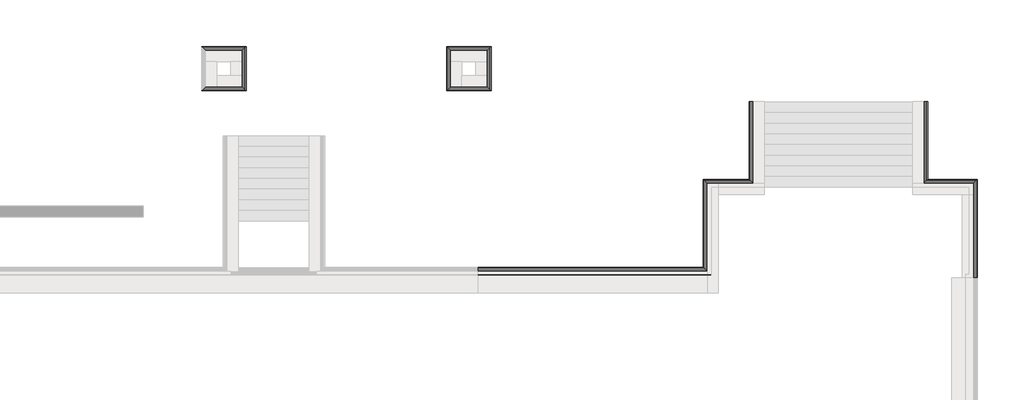
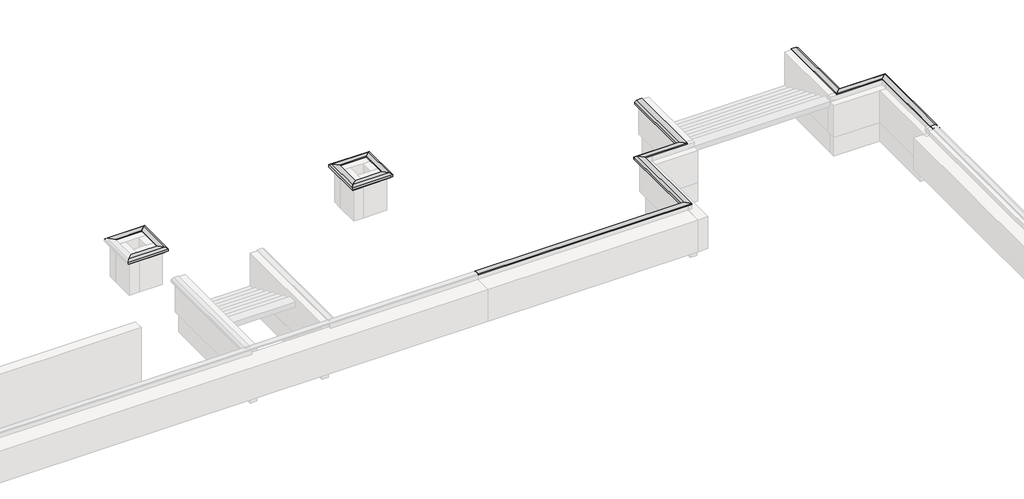
# One storey, part 10 of 10: 14 proxies.
"""IFC4 building model written with IfcOpenShell, lengths in millimetres."""

from ifc_helpers import new_model, si_unit, frame, origin, place, context, project, spatial, polyline, circle_curve, ellipse_curve, element, save
from ifc_brep_helpers import plane_surface, revolved_surface, advanced_brep

model = new_model("IFC4")

# Units and contexts
model_context = context("Model", 3, world=origin())
ifc_project = project(units=[si_unit("LENGTHUNIT", "METRE", prefix="MILLI")], contexts=[model_context])

# Site, building, storey
site = spatial("IfcSite", under=ifc_project)
building = spatial("IfcBuilding", under=site)
storey = spatial("IfcBuildingStorey", under=building, Elevation=-1200.0)

# Proxies
placement = place(None, origin())
element("IfcBuildingElementProxy", 1, Name="Wall Sweeps", at=placement, inside=storey, context=model_context, shape_type="AdvancedBrep", body=[
    advanced_brep(
    [(35865.0112841, 993.1079487, -15.0), (35865.0112841, 993.1079487, -85.0), (35865.0112841, 928.1079487, -150.0), (35865.0112841, 878.1079487, -150.0), (35865.0112841, 878.1079487, 0.0), (35865.0112841, 828.1079487, 0.0), (35865.0112841, 793.1079487, 0.0), (35865.0112841, 778.1079487, 0.0), (35865.0112841, 778.1079487, 30.51349), (35865.0112841, 828.1079487, 30.51349), (35865.0112841, 928.1079487, 30.51349), (42207.0213854, 993.1079487, -85.0), (42207.0213854, 993.1079487, -15.0), (42272.0213854, 928.1079487, 30.51349), (42372.0213854, 828.1079487, 30.51349), (42422.0213854, 778.1079487, 30.51349), (42422.0213854, 778.1079487, 0.0), (42407.0213854, 793.1079487, 0.0), (42372.0213854, 828.1079487, 0.0), (42322.0213854, 878.1079487, 0.0), (42322.0213854, 878.1079487, -150.0), (42272.0213854, 928.1079487, -150.0)],
    [
        (0, 1),
        (1, 2, circle_curve(frame((35865.0112841, 993.1079487, -150.0), z_axis=(1.0, 0.0, 0.0), x_axis=(0.0, 1.0, 0.0)), 65.0)),
        (2, 3),
        (3, 4),
        (4, 5),
        (5, 6),
        (6, 7),
        (7, 8),
        (8, 9),
        (9, 10),
        (10, 0),
        (11, 12),
        (12, 13),
        (13, 14),
        (14, 15),
        (15, 16),
        (16, 17),
        (17, 18),
        (18, 19),
        (19, 20),
        (20, 21),
        (21, 11, ellipse_curve(frame((42207.0213854, 993.1079487, -150.0), z_axis=(-0.7071067811865454, -0.7071067811865498, 0.0), x_axis=(0.7071067811865496, -0.7071067811865454, 0.0)), 91.9238816, 65.0)),
        (0, 12),
        (11, 1),
        (21, 2),
        (20, 3),
        (19, 4),
        (16, 7),
        (15, 8),
        (13, 10),
    ],
    [
        plane_surface(frame((35865.0112841, 1182.9079487, 0.0), z_axis=(-1.0, 0.0, 0.0), x_axis=(0.0, 0.0, 1.0))),
        plane_surface(frame((42322.0213854, 878.1079487, -304.8), z_axis=(0.7071067811865454, 0.7071067811865498, 0.0), x_axis=(-0.7071067811865498, 0.7071067811865454, 0.0))),
        plane_surface(frame((35865.0112841, 993.1079487, -15.0), z_axis=(0.0, 1.0, 0.0), x_axis=(1.0, 0.0, 0.0))),
        revolved_surface(polyline([(42272.02138543235, 1058.1079487, -150.0), (35865.0112841, 1058.1079487, -150.0)]), (35865.0112841, 993.1079487, -150.0), (1.0, 0.0, 0.0)),
        plane_surface(frame((35865.0112841, 928.1079487, -150.0), z_axis=(0.0, 0.0, -1.0), x_axis=(1.0, 0.0, 0.0))),
        plane_surface(frame((35865.0112841, 878.1079487, -150.0), z_axis=(0.0, -1.0, 0.0), x_axis=(1.0, 0.0, 0.0))),
        plane_surface(frame((35865.0112841, 878.1079487, 0.0), z_axis=(0.0, 0.0, -1.0), x_axis=(1.0, 0.0, 0.0))),
        plane_surface(frame((35865.0112841, 778.1079487, 0.0), z_axis=(0.0, -1.0, 0.0), x_axis=(1.0, 0.0, 0.0))),
        plane_surface(frame((35865.0112841, 778.1079487, 30.51349), z_axis=(0.0, 0.0, 1.0), x_axis=(1.0, 0.0, 0.0))),
        plane_surface(frame((35865.0112841, 928.1079487, 30.51349), z_axis=(0.0, 0.5735764363510482, 0.8191520442889904), x_axis=(1.0, 0.0, 0.0))),
    ],
    [
        (0, [[1, 2, 3, 4, 5, 6, 7, 8, 9, 10, 11]]),
        (1, [[12, 13, 14, 15, 16, 17, 18, 19, 20, 21, 22]]),
        (2, [[-1, 23, -12, 24]]),
        (3, [[-2, -24, -22, 25]]),
        (4, [[-3, -25, -21, 26]]),
        (5, [[-4, -26, -20, 27]]),
        (6, [[-27, -19, -18, -17, 28, -7, -6, -5]]),
        (7, [[-8, -28, -16, 29]]),
        (8, [[-10, -9, -29, -15, -14, 30]]),
        (9, [[-11, -30, -13, -23]]),
    ],
),
])
element("IfcBuildingElementProxy", 2, Name="Wall Sweeps", at=placement, inside=storey, context=model_context, shape_type="AdvancedBrep", body=[
    advanced_brep(
    [(48531.0163347, 3473.1270954, -15.0), (48531.0163347, 3473.1270954, -85.0), (48466.0163347, 3408.1270954, -150.0), (48416.0163347, 3358.1270954, -150.0), (48416.0163347, 3358.1270954, 0.0), (48316.0163347, 3258.1270954, 0.0), (48316.0163347, 3258.1270954, 30.51349), (48466.0163347, 3408.1270954, 30.51349), (49935.0112841, 3473.1270954, -15.0), (49870.0112841, 3408.1270954, 30.51349), (49720.0112841, 3258.1270954, 30.51349), (49720.0112841, 3258.1270954, 0.0), (49820.0112841, 3358.1270954, 0.0), (49820.0112841, 3358.1270954, -150.0), (49870.0112841, 3408.1270954, -150.0), (49935.0112841, 3473.1270954, -85.0)],
    [
        (0, 1),
        (1, 2, ellipse_curve(frame((48531.0163347, 3473.1270954, -150.0), z_axis=(0.707106781186544, -0.7071067811865511, 0.0), x_axis=(0.707106781186551, 0.7071067811865441, 0.0)), 91.9238816, 65.0)),
        (2, 3),
        (3, 4),
        (4, 5),
        (5, 6),
        (6, 7),
        (7, 0),
        (8, 9),
        (9, 10),
        (10, 11),
        (11, 12),
        (12, 13),
        (13, 14),
        (14, 15, ellipse_curve(frame((49935.0112841, 3473.1270954, -150.0), z_axis=(-0.7071067811865449, 0.7071067811865502, 0.0), x_axis=(0.70710678118655, 0.707106781186545, 0.0)), 91.9238816, 65.0)),
        (15, 8),
        (0, 8),
        (15, 1),
        (14, 2),
        (13, 3),
        (12, 4),
        (11, 5),
        (10, 6),
        (9, 7),
    ],
    [
        plane_surface(frame((48416.0163347, 3358.1270954, -304.8), z_axis=(-0.707106781186544, 0.7071067811865511, 0.0), x_axis=(0.7071067811865511, 0.707106781186544, 0.0))),
        plane_surface(frame((49820.0112841, 3358.1270954, 304.8), z_axis=(0.7071067811865449, -0.7071067811865502, 0.0), x_axis=(-0.7071067811865502, -0.7071067811865449, 0.0))),
        plane_surface(frame((48531.0163347, 3473.1270954, -15.0), z_axis=(0.0, 1.0, 0.0), x_axis=(1.0, 0.0, 0.0))),
        revolved_surface(polyline([(50000.01128413235, 3538.1270954, -150.0), (48466.01633466765, 3538.1270954, -150.0)]), (48416.0163347, 3473.1270954, -150.0), (1.0, 0.0, 0.0)),
        plane_surface(frame((48466.0163347, 3408.1270954, -150.0), z_axis=(0.0, 0.0, -1.0), x_axis=(1.0, 0.0, 0.0))),
        plane_surface(frame((48416.0163347, 3358.1270954, -150.0), z_axis=(0.0, -1.0, 0.0), x_axis=(1.0, 0.0, 0.0))),
        plane_surface(frame((48416.0163347, 3358.1270954, 0.0), z_axis=(0.0, 0.0, -1.0), x_axis=(1.0, 0.0, 0.0))),
        plane_surface(frame((48316.0163347, 3258.1270954, 0.0), z_axis=(0.0, -1.0, 0.0), x_axis=(1.0, 0.0, 0.0))),
        plane_surface(frame((48316.0163347, 3258.1270954, 30.51349), z_axis=(0.0, 0.0, 1.0), x_axis=(1.0, 0.0, 0.0))),
        plane_surface(frame((48466.0163347, 3408.1270954, 30.51349), z_axis=(0.0, 0.5735764363510482, 0.8191520442889904), x_axis=(1.0, 0.0, 0.0))),
    ],
    [
        (0, [[1, 2, 3, 4, 5, 6, 7, 8]]),
        (1, [[9, 10, 11, 12, 13, 14, 15, 16]]),
        (2, [[-1, 17, -16, 18]]),
        (3, [[-2, -18, -15, 19]]),
        (4, [[-3, -19, -14, 20]]),
        (5, [[-4, -20, -13, 21]]),
        (6, [[-5, -21, -12, 22]]),
        (7, [[-6, -22, -11, 23]]),
        (8, [[-7, -23, -10, 24]]),
        (9, [[-8, -24, -9, -17]]),
    ],
),
])
element("IfcBuildingElementProxy", 3, Name="Wall Sweeps", at=placement, inside=storey, context=model_context, shape_type="AdvancedBrep", body=[
    advanced_brep(
    [(42207.0213854, 993.1079487, -15.0), (42207.0213854, 993.1079487, -85.0), (42272.0213854, 928.1079487, -150.0), (42322.0213854, 878.1079487, -150.0), (42322.0213854, 878.1079487, 0.0), (42407.0213854, 793.1079487, 0.0), (42422.0213854, 778.1079487, 0.0), (42422.0213854, 778.1079487, 30.51349), (42272.0213854, 928.1079487, 30.51349), (42207.0213854, 3473.1270954, -85.0), (42207.0213854, 3473.1270954, -15.0), (42272.0213854, 3408.1270954, 30.51349), (42422.0213854, 3258.1270954, 30.51349), (42422.0213854, 3258.1270954, 0.0), (42322.0213854, 3358.1270954, 0.0), (42322.0213854, 3358.1270954, -150.0), (42272.0213854, 3408.1270954, -150.0), (42422.0213854, 793.1079487, 0.0)],
    [
        (0, 1),
        (1, 2, ellipse_curve(frame((42207.0213854, 993.1079487, -150.0), z_axis=(0.7071067811865454, 0.7071067811865498, 0.0), x_axis=(-0.7071067811865498, 0.7071067811865451, 0.0)), 91.9238816, 65.0)),
        (2, 3),
        (3, 4),
        (4, 5),
        (5, 6),
        (6, 7),
        (7, 8),
        (8, 0),
        (9, 10),
        (10, 11),
        (11, 12),
        (12, 13),
        (13, 14),
        (14, 15),
        (15, 16),
        (16, 9, ellipse_curve(frame((42207.0213854, 3473.1270954, -150.0), z_axis=(-0.7071067811865449, -0.7071067811865502, 0.0), x_axis=(-0.7071067811865502, 0.7071067811865447, 0.0)), 91.9238816, 65.0)),
        (0, 10),
        (9, 1),
        (16, 2),
        (15, 3),
        (14, 4),
        (13, 17),
        (17, 6),
        (12, 7),
        (11, 8),
    ],
    [
        plane_surface(frame((42322.0213854, 878.1079487, -304.8), z_axis=(-0.7071067811865454, -0.7071067811865498, 0.0), x_axis=(-0.7071067811865498, 0.7071067811865454, 0.0))),
        plane_surface(frame((42322.0213854, 3358.1270954, 304.8), z_axis=(0.7071067811865449, 0.7071067811865502, 0.0), x_axis=(0.7071067811865502, -0.7071067811865449, 0.0))),
        plane_surface(frame((42207.0213854, 993.1079487, -15.0), z_axis=(-1.0, 0.0, 0.0), x_axis=(0.0, 1.0, 0.0))),
        revolved_surface(polyline([(42142.0213854, 3538.127095432349, -150.0), (42142.0213854, 928.1079486676508, -150.0)]), (42207.0213854, 878.1079487, -150.0), (0.0, 1.0, 0.0)),
        plane_surface(frame((42272.0213854, 928.1079487, -150.0), z_axis=(0.0, 0.0, -1.0), x_axis=(0.0, 1.0, 0.0))),
        plane_surface(frame((42322.0213854, 878.1079487, -150.0), z_axis=(1.0, 0.0, 0.0), x_axis=(0.0, 1.0, 0.0))),
        plane_surface(frame((42322.0213854, 878.1079487, 0.0), z_axis=(0.0, 0.0, -1.0), x_axis=(0.0, 1.0, 0.0))),
        plane_surface(frame((42422.0213854, 778.1079487, 0.0), z_axis=(1.0, 0.0, 0.0), x_axis=(0.0, 1.0, 0.0))),
        plane_surface(frame((42422.0213854, 778.1079487, 30.51349), z_axis=(0.0, 0.0, 1.0), x_axis=(0.0, 1.0, 0.0))),
        plane_surface(frame((42272.0213854, 928.1079487, 30.51349), z_axis=(-0.5735764363510482, 0.0, 0.8191520442889904), x_axis=(0.0, 1.0, 0.0))),
    ],
    [
        (0, [[1, 2, 3, 4, 5, 6, 7, 8, 9]]),
        (1, [[10, 11, 12, 13, 14, 15, 16, 17]]),
        (2, [[-1, 18, -10, 19]]),
        (3, [[-2, -19, -17, 20]]),
        (4, [[-3, -20, -16, 21]]),
        (5, [[-4, -21, -15, 22]]),
        (6, [[-14, 23, 24, -6, -5, -22]]),
        (7, [[-7, -24, -23, -13, 25]]),
        (8, [[-8, -25, -12, 26]]),
        (9, [[-9, -26, -11, -18]]),
    ],
),
])
element("IfcBuildingElementProxy", 4, Name="Wall Sweeps", at=placement, inside=storey, context=model_context, shape_type="AdvancedBrep", body=[
    advanced_brep(
    [(43501.0163347, 3473.1270954, -15.0), (43566.0163347, 3408.1270954, 30.51349), (43716.0163347, 3258.1270954, 30.51349), (43716.0163347, 3258.1270954, 0.0), (43616.0163347, 3358.1270954, 0.0), (43616.0163347, 3358.1270954, -150.0), (43566.0163347, 3408.1270954, -150.0), (43501.0163347, 3473.1270954, -85.0), (42207.0213854, 3473.1270954, -15.0), (42207.0213854, 3473.1270954, -85.0), (42272.0213854, 3408.1270954, -150.0), (42322.0213854, 3358.1270954, -150.0), (42322.0213854, 3358.1270954, 0.0), (42422.0213854, 3258.1270954, 0.0), (42422.0213854, 3258.1270954, 30.51349), (42272.0213854, 3408.1270954, 30.51349), (42632.0213854, 3358.1270954, 0.0)],
    [
        (0, 1),
        (1, 2),
        (2, 3),
        (3, 4),
        (4, 5),
        (5, 6),
        (6, 7, ellipse_curve(frame((43501.0163347, 3473.1270954, -150.0), z_axis=(-0.707106781186544, -0.7071067811865511, 0.0), x_axis=(-0.707106781186551, 0.7071067811865441, 0.0)), 91.9238816, 65.0)),
        (7, 0),
        (8, 9),
        (9, 10, ellipse_curve(frame((42207.0213854, 3473.1270954, -150.0), z_axis=(0.7071067811865449, 0.7071067811865502, 0.0), x_axis=(-0.70710678118655, 0.707106781186545, 0.0)), 91.9238816, 65.0)),
        (10, 11),
        (11, 12),
        (12, 13),
        (13, 14),
        (14, 15),
        (15, 8),
        (7, 9),
        (8, 0),
        (6, 10),
        (5, 11),
        (4, 16),
        (16, 12),
        (3, 13),
        (2, 14),
        (1, 15),
    ],
    [
        plane_surface(frame((43616.0163347, 3358.1270954, 304.8), z_axis=(0.707106781186544, 0.7071067811865511, 0.0), x_axis=(-0.7071067811865511, 0.707106781186544, 0.0))),
        plane_surface(frame((42322.0213854, 3358.1270954, -304.8), z_axis=(-0.7071067811865449, -0.7071067811865502, 0.0), x_axis=(0.7071067811865502, -0.7071067811865449, 0.0))),
        plane_surface(frame((43501.0163347, 3473.1270954, -85.0), z_axis=(0.0, 1.0, 0.0), x_axis=(-1.0, 0.0, 0.0))),
        revolved_surface(polyline([(42142.021385367654, 3538.1270954, -150.0), (43566.01633473235, 3538.1270954, -150.0)]), (43616.0163347, 3473.1270954, -150.0), (-1.0, 0.0, 0.0)),
        plane_surface(frame((43616.0163347, 3358.1270954, -150.0), z_axis=(0.0, 0.0, -1.0), x_axis=(-1.0, 0.0, 0.0))),
        plane_surface(frame((43616.0163347, 3358.1270954, 0.0), z_axis=(0.0, -1.0, 0.0), x_axis=(-1.0, 0.0, 0.0))),
        plane_surface(frame((43716.0163347, 3258.1270954, 0.0), z_axis=(0.0, 0.0, -1.0), x_axis=(-1.0, 0.0, 0.0))),
        plane_surface(frame((43716.0163347, 3258.1270954, 30.51349), z_axis=(0.0, -1.0, 0.0), x_axis=(-1.0, 0.0, 0.0))),
        plane_surface(frame((43566.0163347, 3408.1270954, 30.51349), z_axis=(0.0, 0.0, 1.0), x_axis=(-1.0, 0.0, 0.0))),
        plane_surface(frame((43501.0163347, 3473.1270954, -15.0), z_axis=(0.0, 0.5735764363510482, 0.8191520442889904), x_axis=(-1.0, 0.0, 0.0))),
    ],
    [
        (0, [[1, 2, 3, 4, 5, 6, 7, 8]]),
        (1, [[9, 10, 11, 12, 13, 14, 15, 16]]),
        (2, [[-8, 17, -9, 18]]),
        (3, [[-7, 19, -10, -17]]),
        (4, [[-6, 20, -11, -19]]),
        (5, [[-5, 21, 22, -12, -20]]),
        (6, [[-4, 23, -13, -22, -21]]),
        (7, [[-3, 24, -14, -23]]),
        (8, [[-2, 25, -15, -24]]),
        (9, [[-1, -18, -16, -25]]),
    ],
),
])
element("IfcBuildingElementProxy", 5, Name="Wall Sweeps", at=placement, inside=storey, context=model_context, shape_type="AdvancedBrep", body=[
    advanced_brep(
    [(43501.0163347, 3473.1270954, -15.0), (43501.0163347, 3473.1270954, -85.0), (43566.0163347, 3408.1270954, -150.0), (43616.0163347, 3358.1270954, -150.0), (43616.0163347, 3358.1270954, 0.0), (43716.0163347, 3258.1270954, 0.0), (43716.0163347, 3258.1270954, 30.51349), (43566.0163347, 3408.1270954, 30.51349), (43501.0163347, 5668.1079487, -15.0), (43566.0163347, 5668.1079487, 30.51349), (43716.0163347, 5668.1079487, 30.51349), (43716.0163347, 5668.1079487, 0.0), (43616.0163347, 5668.1079487, 0.0), (43616.0163347, 5668.1079487, -150.0), (43566.0163347, 5668.1079487, -150.0), (43501.0163347, 5668.1079487, -85.0)],
    [
        (0, 1),
        (1, 2, ellipse_curve(frame((43501.0163347, 3473.1270954, -150.0), z_axis=(0.707106781186544, 0.7071067811865511, 0.0), x_axis=(-0.7071067811865512, 0.7071067811865438, 0.0)), 91.9238816, 65.0)),
        (2, 3),
        (3, 4),
        (4, 5),
        (5, 6),
        (6, 7),
        (7, 0),
        (8, 9),
        (9, 10),
        (10, 11),
        (11, 12),
        (12, 13),
        (13, 14),
        (14, 15, circle_curve(frame((43501.0163347, 5668.1079487, -150.0), z_axis=(0.0, -1.0, 0.0), x_axis=(-1.0, 0.0, 0.0)), 65.0)),
        (15, 8),
        (0, 8),
        (15, 1),
        (14, 2),
        (13, 3),
        (12, 4),
        (11, 5),
        (10, 6),
        (9, 7),
    ],
    [
        plane_surface(frame((43616.0163347, 3358.1270954, -304.8), z_axis=(-0.707106781186544, -0.7071067811865511, 0.0), x_axis=(-0.7071067811865511, 0.707106781186544, 0.0))),
        plane_surface(frame((43457.9024517, 5668.1079487, 0.0), z_axis=(0.0, 1.0, 0.0), x_axis=(0.0, 0.0, 1.0))),
        plane_surface(frame((43501.0163347, 3473.1270954, -15.0), z_axis=(-1.0, 0.0, 0.0), x_axis=(0.0, 1.0, 0.0))),
        revolved_surface(polyline([(43436.0163347, 5668.1079487, -150.0), (43436.0163347, 3408.1270953676512, -150.0)]), (43501.0163347, 3358.1270954, -150.0), (0.0, 1.0, 0.0)),
        plane_surface(frame((43566.0163347, 3408.1270954, -150.0), z_axis=(0.0, 0.0, -1.0), x_axis=(0.0, 1.0, 0.0))),
        plane_surface(frame((43616.0163347, 3358.1270954, -150.0), z_axis=(1.0, 0.0, 0.0), x_axis=(0.0, 1.0, 0.0))),
        plane_surface(frame((43616.0163347, 3358.1270954, 0.0), z_axis=(0.0, 0.0, -1.0), x_axis=(0.0, 1.0, 0.0))),
        plane_surface(frame((43716.0163347, 3258.1270954, 0.0), z_axis=(1.0, 0.0, 0.0), x_axis=(0.0, 1.0, 0.0))),
        plane_surface(frame((43716.0163347, 3258.1270954, 30.51349), z_axis=(0.0, 0.0, 1.0), x_axis=(0.0, 1.0, 0.0))),
        plane_surface(frame((43566.0163347, 3408.1270954, 30.51349), z_axis=(-0.5735764363510482, 0.0, 0.8191520442889904), x_axis=(0.0, 1.0, 0.0))),
    ],
    [
        (0, [[1, 2, 3, 4, 5, 6, 7, 8]]),
        (1, [[9, 10, 11, 12, 13, 14, 15, 16]]),
        (2, [[-1, 17, -16, 18]]),
        (3, [[-2, -18, -15, 19]]),
        (4, [[-3, -19, -14, 20]]),
        (5, [[-4, -20, -13, 21]]),
        (6, [[-5, -21, -12, 22]]),
        (7, [[-6, -22, -11, 23]]),
        (8, [[-7, -23, -10, 24]]),
        (9, [[-8, -24, -9, -17]]),
    ],
),
])
element("IfcBuildingElementProxy", 6, Name="Wall Sweeps", at=placement, inside=storey, context=model_context, shape_type="AdvancedBrep", body=[
    advanced_brep(
    [(49935.0112841, 573.1079487, -15.0), (49870.0112841, 573.1079487, 30.51349), (49720.0112841, 573.1079487, 30.51349), (49720.0112841, 573.1079487, 0.0), (49820.0112841, 573.1079487, 0.0), (49820.0112841, 573.1079487, -150.0), (49870.0112841, 573.1079487, -150.0), (49935.0112841, 573.1079487, -85.0), (49935.0112841, 3473.1270954, -15.0), (49935.0112841, 3473.1270954, -85.0), (49870.0112841, 3408.1270954, -150.0), (49820.0112841, 3358.1270954, -150.0), (49820.0112841, 3358.1270954, 0.0), (49720.0112841, 3258.1270954, 0.0), (49720.0112841, 3258.1270954, 30.51349), (49870.0112841, 3408.1270954, 30.51349), (49820.0112841, 3048.1270954, 0.0)],
    [
        (0, 1),
        (1, 2),
        (2, 3),
        (3, 4),
        (4, 5),
        (5, 6),
        (6, 7, circle_curve(frame((49935.0112841, 573.1079487, -150.0), z_axis=(0.0, 1.0, 0.0), x_axis=(1.0, 0.0, 0.0)), 65.0)),
        (7, 0),
        (8, 9),
        (9, 10, ellipse_curve(frame((49935.0112841, 3473.1270954, -150.0), z_axis=(0.7071067811865449, -0.7071067811865502, 0.0), x_axis=(0.7071067811865502, 0.7071067811865447, 0.0)), 91.9238816, 65.0)),
        (10, 11),
        (11, 12),
        (12, 13),
        (13, 14),
        (14, 15),
        (15, 8),
        (0, 8),
        (15, 1),
        (14, 2),
        (13, 3),
        (12, 16),
        (16, 4),
        (11, 5),
        (10, 6),
        (9, 7),
    ],
    [
        plane_surface(frame((49661.8974011, 573.1079487, 0.0), z_axis=(0.0, -1.0, 0.0), x_axis=(0.0, 0.0, 1.0))),
        plane_surface(frame((49820.0112841, 3358.1270954, -304.8), z_axis=(-0.7071067811865449, 0.7071067811865502, 0.0), x_axis=(-0.7071067811865502, -0.7071067811865449, 0.0))),
        plane_surface(frame((49935.0112841, 573.1079487, -15.0), z_axis=(0.5735764363510482, 0.0, 0.8191520442889904), x_axis=(0.0, 1.0, 0.0))),
        plane_surface(frame((49870.0112841, 573.1079487, 30.51349), z_axis=(0.0, 0.0, 1.0), x_axis=(0.0, 1.0, 0.0))),
        plane_surface(frame((49720.0112841, 573.1079487, 30.51349), z_axis=(-1.0, 0.0, 0.0), x_axis=(0.0, 1.0, 0.0))),
        plane_surface(frame((49720.0112841, 573.1079487, 0.0), z_axis=(0.0, 0.0, -1.0), x_axis=(0.0, 1.0, 0.0))),
        plane_surface(frame((49820.0112841, 573.1079487, 0.0), z_axis=(-1.0, 0.0, 0.0), x_axis=(0.0, 1.0, 0.0))),
        plane_surface(frame((49820.0112841, 573.1079487, -150.0), z_axis=(0.0, 0.0, -1.0), x_axis=(0.0, 1.0, 0.0))),
        revolved_surface(polyline([(50000.0112841, 3538.127095432349, -150.0), (50000.0112841, 573.1079487, -150.0)]), (49935.0112841, 573.1079487, -150.0), (0.0, 1.0, 0.0)),
        plane_surface(frame((49935.0112841, 573.1079487, -85.0), z_axis=(1.0, 0.0, 0.0), x_axis=(0.0, 1.0, 0.0))),
    ],
    [
        (0, [[1, 2, 3, 4, 5, 6, 7, 8]]),
        (1, [[9, 10, 11, 12, 13, 14, 15, 16]]),
        (2, [[-1, 17, -16, 18]]),
        (3, [[-2, -18, -15, 19]]),
        (4, [[-3, -19, -14, 20]]),
        (5, [[-4, -20, -13, 21, 22]]),
        (6, [[-5, -22, -21, -12, 23]]),
        (7, [[-6, -23, -11, 24]]),
        (8, [[-7, -24, -10, 25]]),
        (9, [[-8, -25, -9, -17]]),
    ],
),
])
element("IfcBuildingElementProxy", 7, Name="Wall Sweeps", at=placement, inside=storey, context=model_context, shape_type="AdvancedBrep", body=[
    advanced_brep(
    [(28085.0112841, 7218.1079487, -15.0), (28085.0112841, 7218.1079487, -85.0), (28150.0112841, 7153.1079487, -150.0), (28200.0112841, 7103.1079487, -150.0), (28200.0112841, 7103.1079487, 0.0), (28300.0112841, 7003.1079487, 0.0), (28300.0112841, 7003.1079487, 30.51349), (28150.0112841, 7153.1079487, 30.51349), (29335.0112841, 7218.1079487, -15.0), (29270.0112841, 7153.1079487, 30.51349), (29120.0112841, 7003.1079487, 30.51349), (29120.0112841, 7003.1079487, 0.0), (29220.0112841, 7103.1079487, 0.0), (29220.0112841, 7103.1079487, -150.0), (29270.0112841, 7153.1079487, -150.0), (29335.0112841, 7218.1079487, -85.0)],
    [
        (0, 1),
        (1, 2, ellipse_curve(frame((28085.0112841, 7218.1079487, -150.0), z_axis=(0.7071067811865458, 0.7071067811865493, 0.0), x_axis=(0.7071067811865492, -0.7071067811865458, 0.0)), 91.9238816, 65.0)),
        (2, 3),
        (3, 4),
        (4, 5),
        (5, 6),
        (6, 7),
        (7, 0),
        (8, 9),
        (9, 10),
        (10, 11),
        (11, 12),
        (12, 13),
        (13, 14),
        (14, 15, ellipse_curve(frame((29335.0112841, 7218.1079487, -150.0), z_axis=(-0.707106781186544, 0.7071067811865511, 0.0), x_axis=(0.7071067811865509, 0.707106781186544, 0.0)), 91.9238816, 65.0)),
        (15, 8),
        (0, 8),
        (15, 1),
        (14, 2),
        (13, 3),
        (12, 4),
        (11, 5),
        (10, 6),
        (9, 7),
    ],
    [
        plane_surface(frame((28200.0112841, 7103.1079487, 304.8), z_axis=(-0.7071067811865458, -0.7071067811865493, 0.0), x_axis=(0.7071067811865493, -0.7071067811865458, 0.0))),
        plane_surface(frame((29220.0112841, 7103.1079487, 304.8), z_axis=(0.707106781186544, -0.7071067811865511, 0.0), x_axis=(-0.7071067811865511, -0.707106781186544, 0.0))),
        plane_surface(frame((28085.0112841, 7218.1079487, -15.0), z_axis=(0.0, 1.0, 0.0), x_axis=(1.0, 0.0, 0.0))),
        revolved_surface(polyline([(29400.01128413235, 7283.1079487, -150.0), (28020.011284067652, 7283.1079487, -150.0)]), (28200.0112841, 7218.1079487, -150.0), (1.0, 0.0, 0.0)),
        plane_surface(frame((28150.0112841, 7153.1079487, -150.0), z_axis=(0.0, 0.0, -1.0), x_axis=(1.0, 0.0, 0.0))),
        plane_surface(frame((28200.0112841, 7103.1079487, -150.0), z_axis=(0.0, -1.0, 0.0), x_axis=(1.0, 0.0, 0.0))),
        plane_surface(frame((28200.0112841, 7103.1079487, 0.0), z_axis=(0.0, 0.0, -1.0), x_axis=(1.0, 0.0, 0.0))),
        plane_surface(frame((28300.0112841, 7003.1079487, 0.0), z_axis=(0.0, -1.0, 0.0), x_axis=(1.0, 0.0, 0.0))),
        plane_surface(frame((28300.0112841, 7003.1079487, 30.51349), z_axis=(0.0, 0.0, 1.0), x_axis=(1.0, 0.0, 0.0))),
        plane_surface(frame((28150.0112841, 7153.1079487, 30.51349), z_axis=(0.0, 0.5735764363510482, 0.8191520442889904), x_axis=(1.0, 0.0, 0.0))),
    ],
    [
        (0, [[1, 2, 3, 4, 5, 6, 7, 8]]),
        (1, [[9, 10, 11, 12, 13, 14, 15, 16]]),
        (2, [[-1, 17, -16, 18]]),
        (3, [[-2, -18, -15, 19]]),
        (4, [[-3, -19, -14, 20]]),
        (5, [[-4, -20, -13, 21]]),
        (6, [[-5, -21, -12, 22]]),
        (7, [[-6, -22, -11, 23]]),
        (8, [[-7, -23, -10, 24]]),
        (9, [[-8, -24, -9, -17]]),
    ],
),
])
element("IfcBuildingElementProxy", 8, Name="Wall Sweeps", at=placement, inside=storey, context=model_context, shape_type="AdvancedBrep", body=[
    advanced_brep(
    [(29335.0112841, 5968.1079487, -15.0), (29335.0112841, 5968.1079487, -85.0), (29270.0112841, 6033.1079487, -150.0), (29220.0112841, 6083.1079487, -150.0), (29220.0112841, 6083.1079487, 0.0), (29120.0112841, 6183.1079487, 0.0), (29120.0112841, 6183.1079487, 30.51349), (29270.0112841, 6033.1079487, 30.51349), (28085.0112841, 5968.1079487, -15.0), (28150.0112841, 6033.1079487, 30.51349), (28300.0112841, 6183.1079487, 30.51349), (28300.0112841, 6183.1079487, 0.0), (28200.0112841, 6083.1079487, 0.0), (28200.0112841, 6083.1079487, -150.0), (28150.0112841, 6033.1079487, -150.0), (28085.0112841, 5968.1079487, -85.0), (28510.0112841, 6083.1079487, 0.0)],
    [
        (0, 1),
        (1, 2, ellipse_curve(frame((29335.0112841, 5968.1079487, -150.0), z_axis=(-0.7071067811865458, -0.7071067811865493, 0.0), x_axis=(-0.7071067811865491, 0.7071067811865458, 0.0)), 91.9238816, 65.0)),
        (2, 3),
        (3, 4),
        (4, 5),
        (5, 6),
        (6, 7),
        (7, 0),
        (8, 9),
        (9, 10),
        (10, 11),
        (11, 12),
        (12, 13),
        (13, 14),
        (14, 15, ellipse_curve(frame((28085.0112841, 5968.1079487, -150.0), z_axis=(0.707106781186544, -0.7071067811865511, 0.0), x_axis=(-0.7071067811865509, -0.707106781186544, 0.0)), 91.9238816, 65.0)),
        (15, 8),
        (0, 8),
        (15, 1),
        (14, 2),
        (13, 3),
        (12, 16),
        (16, 4),
        (11, 5),
        (10, 6),
        (9, 7),
    ],
    [
        plane_surface(frame((29220.0112841, 6083.1079487, 304.8), z_axis=(0.7071067811865458, 0.7071067811865493, 0.0), x_axis=(-0.7071067811865493, 0.7071067811865458, 0.0))),
        plane_surface(frame((28200.0112841, 6083.1079487, 304.8), z_axis=(-0.707106781186544, 0.7071067811865511, 0.0), x_axis=(0.7071067811865511, 0.707106781186544, 0.0))),
        plane_surface(frame((29335.0112841, 5968.1079487, -15.0), z_axis=(0.0, -1.0, 0.0), x_axis=(-1.0, 0.0, 0.0))),
        revolved_surface(polyline([(28020.011284067652, 5903.1079487, -150.0), (29400.01128413235, 5903.1079487, -150.0)]), (29220.0112841, 5968.1079487, -150.0), (-1.0, 0.0, 0.0)),
        plane_surface(frame((29270.0112841, 6033.1079487, -150.0), z_axis=(0.0, 0.0, -1.0), x_axis=(-1.0, 0.0, 0.0))),
        plane_surface(frame((29220.0112841, 6083.1079487, -150.0), z_axis=(0.0, 1.0, 0.0), x_axis=(-1.0, 0.0, 0.0))),
        plane_surface(frame((29220.0112841, 6083.1079487, 0.0), z_axis=(0.0, 0.0, -1.0), x_axis=(-1.0, 0.0, 0.0))),
        plane_surface(frame((29120.0112841, 6183.1079487, 0.0), z_axis=(0.0, 1.0, 0.0), x_axis=(-1.0, 0.0, 0.0))),
        plane_surface(frame((29120.0112841, 6183.1079487, 30.51349), z_axis=(0.0, 0.0, 1.0), x_axis=(-1.0, 0.0, 0.0))),
        plane_surface(frame((29270.0112841, 6033.1079487, 30.51349), z_axis=(0.0, -0.5735764363510482, 0.8191520442889904), x_axis=(-1.0, 0.0, 0.0))),
    ],
    [
        (0, [[1, 2, 3, 4, 5, 6, 7, 8]]),
        (1, [[9, 10, 11, 12, 13, 14, 15, 16]]),
        (2, [[-1, 17, -16, 18]]),
        (3, [[-2, -18, -15, 19]]),
        (4, [[-3, -19, -14, 20]]),
        (5, [[-4, -20, -13, 21, 22]]),
        (6, [[-5, -22, -21, -12, 23]]),
        (7, [[-6, -23, -11, 24]]),
        (8, [[-7, -24, -10, 25]]),
        (9, [[-8, -25, -9, -17]]),
    ],
),
])
element("IfcBuildingElementProxy", 9, Name="Wall Sweeps", at=placement, inside=storey, context=model_context, shape_type="AdvancedBrep", body=[
    advanced_brep(
    [(29335.0112841, 7218.1079487, -15.0), (29335.0112841, 7218.1079487, -85.0), (29270.0112841, 7153.1079487, -150.0), (29220.0112841, 7103.1079487, -150.0), (29220.0112841, 7103.1079487, 0.0), (29120.0112841, 7003.1079487, 0.0), (29120.0112841, 7003.1079487, 30.51349), (29270.0112841, 7153.1079487, 30.51349), (29335.0112841, 5968.1079487, -15.0), (29270.0112841, 6033.1079487, 30.51349), (29120.0112841, 6183.1079487, 30.51349), (29120.0112841, 6183.1079487, 0.0), (29220.0112841, 6083.1079487, 0.0), (29220.0112841, 6083.1079487, -150.0), (29270.0112841, 6033.1079487, -150.0), (29335.0112841, 5968.1079487, -85.0), (29220.0112841, 6393.1079487, 0.0), (29220.0112841, 6793.1079487, 0.0)],
    [
        (0, 1),
        (1, 2, ellipse_curve(frame((29335.0112841, 7218.1079487, -150.0), z_axis=(0.707106781186544, -0.7071067811865511, 0.0), x_axis=(-0.7071067811865511, -0.7071067811865439, 0.0)), 91.9238816, 65.0)),
        (2, 3),
        (3, 4),
        (4, 5),
        (5, 6),
        (6, 7),
        (7, 0),
        (8, 9),
        (9, 10),
        (10, 11),
        (11, 12),
        (12, 13),
        (13, 14),
        (14, 15, ellipse_curve(frame((29335.0112841, 5968.1079487, -150.0), z_axis=(0.7071067811865458, 0.7071067811865493, 0.0), x_axis=(0.7071067811865495, -0.7071067811865457, 0.0)), 91.9238816, 65.0)),
        (15, 8),
        (0, 8),
        (15, 1),
        (14, 2),
        (13, 3),
        (12, 16),
        (16, 17),
        (17, 4),
        (11, 5),
        (10, 6),
        (9, 7),
    ],
    [
        plane_surface(frame((29220.0112841, 7103.1079487, 304.8), z_axis=(-0.707106781186544, 0.7071067811865511, 0.0), x_axis=(-0.7071067811865511, -0.707106781186544, 0.0))),
        plane_surface(frame((29220.0112841, 6083.1079487, 304.8), z_axis=(-0.7071067811865458, -0.7071067811865493, 0.0), x_axis=(-0.7071067811865493, 0.7071067811865458, 0.0))),
        plane_surface(frame((29335.0112841, 7218.1079487, -15.0), z_axis=(1.0, 0.0, 0.0), x_axis=(0.0, -1.0, 0.0))),
        revolved_surface(polyline([(29400.0112841, 5903.107948667651, -150.0), (29400.0112841, 7283.107948732349, -150.0)]), (29335.0112841, 7103.1079487, -150.0), (0.0, -1.0, 0.0)),
        plane_surface(frame((29270.0112841, 7153.1079487, -150.0), z_axis=(0.0, 0.0, -1.0), x_axis=(0.0, -1.0, 0.0))),
        plane_surface(frame((29220.0112841, 7103.1079487, -150.0), z_axis=(-1.0, 0.0, 0.0), x_axis=(0.0, -1.0, 0.0))),
        plane_surface(frame((29220.0112841, 7103.1079487, 0.0), z_axis=(0.0, 0.0, -1.0), x_axis=(0.0, -1.0, 0.0))),
        plane_surface(frame((29120.0112841, 7003.1079487, 0.0), z_axis=(-1.0, 0.0, 0.0), x_axis=(0.0, -1.0, 0.0))),
        plane_surface(frame((29120.0112841, 7003.1079487, 30.51349), z_axis=(0.0, 0.0, 1.0), x_axis=(0.0, -1.0, 0.0))),
        plane_surface(frame((29270.0112841, 7153.1079487, 30.51349), z_axis=(0.5735764363510482, 0.0, 0.8191520442889904), x_axis=(0.0, -1.0, 0.0))),
    ],
    [
        (0, [[1, 2, 3, 4, 5, 6, 7, 8]]),
        (1, [[9, 10, 11, 12, 13, 14, 15, 16]]),
        (2, [[-1, 17, -16, 18]]),
        (3, [[-2, -18, -15, 19]]),
        (4, [[-3, -19, -14, 20]]),
        (5, [[-4, -20, -13, 21, 22, 23]]),
        (6, [[-5, -23, -22, -21, -12, 24]]),
        (7, [[-6, -24, -11, 25]]),
        (8, [[-7, -25, -10, 26]]),
        (9, [[-8, -26, -9, -17]]),
    ],
),
])
element("IfcBuildingElementProxy", 10, Name="Wall Sweeps", at=placement, inside=storey, context=model_context, shape_type="AdvancedBrep", body=[
    advanced_brep(
    [(34985.0112841, 7218.1079487, -15.0), (34985.0112841, 7218.1079487, -85.0), (35050.0112841, 7153.1079487, -150.0), (35100.0112841, 7103.1079487, -150.0), (35100.0112841, 7103.1079487, 0.0), (35200.0112841, 7003.1079487, 0.0), (35200.0112841, 7003.1079487, 30.51349), (35050.0112841, 7153.1079487, 30.51349), (36235.0112841, 7218.1079487, -15.0), (36170.0112841, 7153.1079487, 30.51349), (36020.0112841, 7003.1079487, 30.51349), (36020.0112841, 7003.1079487, 0.0), (36120.0112841, 7103.1079487, 0.0), (36120.0112841, 7103.1079487, -150.0), (36170.0112841, 7153.1079487, -150.0), (36235.0112841, 7218.1079487, -85.0)],
    [
        (0, 1),
        (1, 2, ellipse_curve(frame((34985.0112841, 7218.1079487, -150.0), z_axis=(0.7071067811865458, 0.7071067811865493, 0.0), x_axis=(0.7071067811865492, -0.7071067811865458, 0.0)), 91.9238816, 65.0)),
        (2, 3),
        (3, 4),
        (4, 5),
        (5, 6),
        (6, 7),
        (7, 0),
        (8, 9),
        (9, 10),
        (10, 11),
        (11, 12),
        (12, 13),
        (13, 14),
        (14, 15, ellipse_curve(frame((36235.0112841, 7218.1079487, -150.0), z_axis=(-0.707106781186544, 0.7071067811865511, 0.0), x_axis=(0.7071067811865509, 0.707106781186544, 0.0)), 91.9238816, 65.0)),
        (15, 8),
        (0, 8),
        (15, 1),
        (14, 2),
        (13, 3),
        (12, 4),
        (11, 5),
        (10, 6),
        (9, 7),
    ],
    [
        plane_surface(frame((35100.0112841, 7103.1079487, 304.8), z_axis=(-0.7071067811865458, -0.7071067811865493, 0.0), x_axis=(0.7071067811865493, -0.7071067811865458, 0.0))),
        plane_surface(frame((36120.0112841, 7103.1079487, 304.8), z_axis=(0.707106781186544, -0.7071067811865511, 0.0), x_axis=(-0.7071067811865511, -0.707106781186544, 0.0))),
        plane_surface(frame((34985.0112841, 7218.1079487, -15.0), z_axis=(0.0, 1.0, 0.0), x_axis=(1.0, 0.0, 0.0))),
        revolved_surface(polyline([(36300.01128413235, 7283.1079487, -150.0), (34920.01128406765, 7283.1079487, -150.0)]), (35100.0112841, 7218.1079487, -150.0), (1.0, 0.0, 0.0)),
        plane_surface(frame((35050.0112841, 7153.1079487, -150.0), z_axis=(0.0, 0.0, -1.0), x_axis=(1.0, 0.0, 0.0))),
        plane_surface(frame((35100.0112841, 7103.1079487, -150.0), z_axis=(0.0, -1.0, 0.0), x_axis=(1.0, 0.0, 0.0))),
        plane_surface(frame((35100.0112841, 7103.1079487, 0.0), z_axis=(0.0, 0.0, -1.0), x_axis=(1.0, 0.0, 0.0))),
        plane_surface(frame((35200.0112841, 7003.1079487, 0.0), z_axis=(0.0, -1.0, 0.0), x_axis=(1.0, 0.0, 0.0))),
        plane_surface(frame((35200.0112841, 7003.1079487, 30.51349), z_axis=(0.0, 0.0, 1.0), x_axis=(1.0, 0.0, 0.0))),
        plane_surface(frame((35050.0112841, 7153.1079487, 30.51349), z_axis=(0.0, 0.5735764363510482, 0.8191520442889904), x_axis=(1.0, 0.0, 0.0))),
    ],
    [
        (0, [[1, 2, 3, 4, 5, 6, 7, 8]]),
        (1, [[9, 10, 11, 12, 13, 14, 15, 16]]),
        (2, [[-1, 17, -16, 18]]),
        (3, [[-2, -18, -15, 19]]),
        (4, [[-3, -19, -14, 20]]),
        (5, [[-4, -20, -13, 21]]),
        (6, [[-5, -21, -12, 22]]),
        (7, [[-6, -22, -11, 23]]),
        (8, [[-7, -23, -10, 24]]),
        (9, [[-8, -24, -9, -17]]),
    ],
),
])
element("IfcBuildingElementProxy", 11, Name="Wall Sweeps", at=placement, inside=storey, context=model_context, shape_type="AdvancedBrep", body=[
    advanced_brep(
    [(34985.0112841, 7218.1079487, -15.0), (35050.0112841, 7153.1079487, 30.51349), (35200.0112841, 7003.1079487, 30.51349), (35200.0112841, 7003.1079487, 0.0), (35100.0112841, 7103.1079487, 0.0), (35100.0112841, 7103.1079487, -150.0), (35050.0112841, 7153.1079487, -150.0), (34985.0112841, 7218.1079487, -85.0), (34985.0112841, 5968.1079487, -15.0), (34985.0112841, 5968.1079487, -85.0), (35050.0112841, 6033.1079487, -150.0), (35100.0112841, 6083.1079487, -150.0), (35100.0112841, 6083.1079487, 0.0), (35200.0112841, 6183.1079487, 0.0), (35200.0112841, 6183.1079487, 30.51349), (35050.0112841, 6033.1079487, 30.51349), (35100.0112841, 6793.1079487, 0.0)],
    [
        (0, 1),
        (1, 2),
        (2, 3),
        (3, 4),
        (4, 5),
        (5, 6),
        (6, 7, ellipse_curve(frame((34985.0112841, 7218.1079487, -150.0), z_axis=(-0.7071067811865458, -0.7071067811865493, 0.0), x_axis=(0.7071067811865495, -0.7071067811865457, 0.0)), 91.9238816, 65.0)),
        (7, 0),
        (8, 9),
        (9, 10, ellipse_curve(frame((34985.0112841, 5968.1079487, -150.0), z_axis=(-0.707106781186544, 0.7071067811865511, 0.0), x_axis=(-0.7071067811865511, -0.7071067811865439, 0.0)), 91.9238816, 65.0)),
        (10, 11),
        (11, 12),
        (12, 13),
        (13, 14),
        (14, 15),
        (15, 8),
        (7, 9),
        (8, 0),
        (6, 10),
        (5, 11),
        (4, 16),
        (16, 12),
        (3, 13),
        (2, 14),
        (1, 15),
    ],
    [
        plane_surface(frame((35100.0112841, 7103.1079487, -304.8), z_axis=(0.7071067811865458, 0.7071067811865493, 0.0), x_axis=(0.7071067811865493, -0.7071067811865458, 0.0))),
        plane_surface(frame((35100.0112841, 6083.1079487, -304.8), z_axis=(0.707106781186544, -0.7071067811865511, 0.0), x_axis=(0.7071067811865511, 0.707106781186544, 0.0))),
        plane_surface(frame((34985.0112841, 7218.1079487, -85.0), z_axis=(-1.0, 0.0, 0.0), x_axis=(0.0, -1.0, 0.0))),
        revolved_surface(polyline([(34920.0112841, 5903.107948667651, -150.0), (34920.0112841, 7283.107948732349, -150.0)]), (34985.0112841, 7103.1079487, -150.0), (0.0, -1.0, 0.0)),
        plane_surface(frame((35100.0112841, 7103.1079487, -150.0), z_axis=(0.0, 0.0, -1.0), x_axis=(0.0, -1.0, 0.0))),
        plane_surface(frame((35100.0112841, 7103.1079487, 0.0), z_axis=(1.0, 0.0, 0.0), x_axis=(0.0, -1.0, 0.0))),
        plane_surface(frame((35200.0112841, 7003.1079487, 0.0), z_axis=(0.0, 0.0, -1.0), x_axis=(0.0, -1.0, 0.0))),
        plane_surface(frame((35200.0112841, 7003.1079487, 30.51349), z_axis=(1.0, 0.0, 0.0), x_axis=(0.0, -1.0, 0.0))),
        plane_surface(frame((35050.0112841, 7153.1079487, 30.51349), z_axis=(0.0, 0.0, 1.0), x_axis=(0.0, -1.0, 0.0))),
        plane_surface(frame((34985.0112841, 7218.1079487, -15.0), z_axis=(-0.5735764363510482, 0.0, 0.8191520442889904), x_axis=(0.0, -1.0, 0.0))),
    ],
    [
        (0, [[1, 2, 3, 4, 5, 6, 7, 8]]),
        (1, [[9, 10, 11, 12, 13, 14, 15, 16]]),
        (2, [[-8, 17, -9, 18]]),
        (3, [[-7, 19, -10, -17]]),
        (4, [[-6, 20, -11, -19]]),
        (5, [[-5, 21, 22, -12, -20]]),
        (6, [[-4, 23, -13, -22, -21]]),
        (7, [[-3, 24, -14, -23]]),
        (8, [[-2, 25, -15, -24]]),
        (9, [[-1, -18, -16, -25]]),
    ],
),
])
element("IfcBuildingElementProxy", 12, Name="Wall Sweeps", at=placement, inside=storey, context=model_context, shape_type="AdvancedBrep", body=[
    advanced_brep(
    [(36235.0112841, 5968.1079487, -15.0), (36235.0112841, 5968.1079487, -85.0), (36170.0112841, 6033.1079487, -150.0), (36120.0112841, 6083.1079487, -150.0), (36120.0112841, 6083.1079487, 0.0), (36020.0112841, 6183.1079487, 0.0), (36020.0112841, 6183.1079487, 30.51349), (36170.0112841, 6033.1079487, 30.51349), (34985.0112841, 5968.1079487, -15.0), (35050.0112841, 6033.1079487, 30.51349), (35200.0112841, 6183.1079487, 30.51349), (35200.0112841, 6183.1079487, 0.0), (35100.0112841, 6083.1079487, 0.0), (35100.0112841, 6083.1079487, -150.0), (35050.0112841, 6033.1079487, -150.0), (34985.0112841, 5968.1079487, -85.0), (35410.0112841, 6083.1079487, 0.0)],
    [
        (0, 1),
        (1, 2, ellipse_curve(frame((36235.0112841, 5968.1079487, -150.0), z_axis=(-0.7071067811865458, -0.7071067811865493, 0.0), x_axis=(-0.7071067811865491, 0.7071067811865458, 0.0)), 91.9238816, 65.0)),
        (2, 3),
        (3, 4),
        (4, 5),
        (5, 6),
        (6, 7),
        (7, 0),
        (8, 9),
        (9, 10),
        (10, 11),
        (11, 12),
        (12, 13),
        (13, 14),
        (14, 15, ellipse_curve(frame((34985.0112841, 5968.1079487, -150.0), z_axis=(0.707106781186544, -0.7071067811865511, 0.0), x_axis=(-0.7071067811865509, -0.707106781186544, 0.0)), 91.9238816, 65.0)),
        (15, 8),
        (0, 8),
        (15, 1),
        (14, 2),
        (13, 3),
        (12, 16),
        (16, 4),
        (11, 5),
        (10, 6),
        (9, 7),
    ],
    [
        plane_surface(frame((36120.0112841, 6083.1079487, 304.8), z_axis=(0.7071067811865458, 0.7071067811865493, 0.0), x_axis=(-0.7071067811865493, 0.7071067811865458, 0.0))),
        plane_surface(frame((35100.0112841, 6083.1079487, 304.8), z_axis=(-0.707106781186544, 0.7071067811865511, 0.0), x_axis=(0.7071067811865511, 0.707106781186544, 0.0))),
        plane_surface(frame((36235.0112841, 5968.1079487, -15.0), z_axis=(0.0, -1.0, 0.0), x_axis=(-1.0, 0.0, 0.0))),
        revolved_surface(polyline([(34920.01128406765, 5903.1079487, -150.0), (36300.01128413235, 5903.1079487, -150.0)]), (36120.0112841, 5968.1079487, -150.0), (-1.0, 0.0, 0.0)),
        plane_surface(frame((36170.0112841, 6033.1079487, -150.0), z_axis=(0.0, 0.0, -1.0), x_axis=(-1.0, 0.0, 0.0))),
        plane_surface(frame((36120.0112841, 6083.1079487, -150.0), z_axis=(0.0, 1.0, 0.0), x_axis=(-1.0, 0.0, 0.0))),
        plane_surface(frame((36120.0112841, 6083.1079487, 0.0), z_axis=(0.0, 0.0, -1.0), x_axis=(-1.0, 0.0, 0.0))),
        plane_surface(frame((36020.0112841, 6183.1079487, 0.0), z_axis=(0.0, 1.0, 0.0), x_axis=(-1.0, 0.0, 0.0))),
        plane_surface(frame((36020.0112841, 6183.1079487, 30.51349), z_axis=(0.0, 0.0, 1.0), x_axis=(-1.0, 0.0, 0.0))),
        plane_surface(frame((36170.0112841, 6033.1079487, 30.51349), z_axis=(0.0, -0.5735764363510482, 0.8191520442889904), x_axis=(-1.0, 0.0, 0.0))),
    ],
    [
        (0, [[1, 2, 3, 4, 5, 6, 7, 8]]),
        (1, [[9, 10, 11, 12, 13, 14, 15, 16]]),
        (2, [[-1, 17, -16, 18]]),
        (3, [[-2, -18, -15, 19]]),
        (4, [[-3, -19, -14, 20]]),
        (5, [[-4, -20, -13, 21, 22]]),
        (6, [[-5, -22, -21, -12, 23]]),
        (7, [[-6, -23, -11, 24]]),
        (8, [[-7, -24, -10, 25]]),
        (9, [[-8, -25, -9, -17]]),
    ],
),
])
element("IfcBuildingElementProxy", 13, Name="Wall Sweeps", at=placement, inside=storey, context=model_context, shape_type="AdvancedBrep", body=[
    advanced_brep(
    [(36235.0112841, 7218.1079487, -15.0), (36235.0112841, 7218.1079487, -85.0), (36170.0112841, 7153.1079487, -150.0), (36120.0112841, 7103.1079487, -150.0), (36120.0112841, 7103.1079487, 0.0), (36020.0112841, 7003.1079487, 0.0), (36020.0112841, 7003.1079487, 30.51349), (36170.0112841, 7153.1079487, 30.51349), (36235.0112841, 5968.1079487, -15.0), (36170.0112841, 6033.1079487, 30.51349), (36020.0112841, 6183.1079487, 30.51349), (36020.0112841, 6183.1079487, 0.0), (36120.0112841, 6083.1079487, 0.0), (36120.0112841, 6083.1079487, -150.0), (36170.0112841, 6033.1079487, -150.0), (36235.0112841, 5968.1079487, -85.0), (36120.0112841, 6393.1079487, 0.0), (36120.0112841, 6793.1079487, 0.0)],
    [
        (0, 1),
        (1, 2, ellipse_curve(frame((36235.0112841, 7218.1079487, -150.0), z_axis=(0.707106781186544, -0.7071067811865511, 0.0), x_axis=(-0.7071067811865511, -0.7071067811865439, 0.0)), 91.9238816, 65.0)),
        (2, 3),
        (3, 4),
        (4, 5),
        (5, 6),
        (6, 7),
        (7, 0),
        (8, 9),
        (9, 10),
        (10, 11),
        (11, 12),
        (12, 13),
        (13, 14),
        (14, 15, ellipse_curve(frame((36235.0112841, 5968.1079487, -150.0), z_axis=(0.7071067811865458, 0.7071067811865493, 0.0), x_axis=(0.7071067811865495, -0.7071067811865457, 0.0)), 91.9238816, 65.0)),
        (15, 8),
        (0, 8),
        (15, 1),
        (14, 2),
        (13, 3),
        (12, 16),
        (16, 17),
        (17, 4),
        (11, 5),
        (10, 6),
        (9, 7),
    ],
    [
        plane_surface(frame((36120.0112841, 7103.1079487, 304.8), z_axis=(-0.707106781186544, 0.7071067811865511, 0.0), x_axis=(-0.7071067811865511, -0.707106781186544, 0.0))),
        plane_surface(frame((36120.0112841, 6083.1079487, 304.8), z_axis=(-0.7071067811865458, -0.7071067811865493, 0.0), x_axis=(-0.7071067811865493, 0.7071067811865458, 0.0))),
        plane_surface(frame((36235.0112841, 7218.1079487, -15.0), z_axis=(1.0, 0.0, 0.0), x_axis=(0.0, -1.0, 0.0))),
        revolved_surface(polyline([(36300.0112841, 5903.107948667651, -150.0), (36300.0112841, 7283.107948732349, -150.0)]), (36235.0112841, 7103.1079487, -150.0), (0.0, -1.0, 0.0)),
        plane_surface(frame((36170.0112841, 7153.1079487, -150.0), z_axis=(0.0, 0.0, -1.0), x_axis=(0.0, -1.0, 0.0))),
        plane_surface(frame((36120.0112841, 7103.1079487, -150.0), z_axis=(-1.0, 0.0, 0.0), x_axis=(0.0, -1.0, 0.0))),
        plane_surface(frame((36120.0112841, 7103.1079487, 0.0), z_axis=(0.0, 0.0, -1.0), x_axis=(0.0, -1.0, 0.0))),
        plane_surface(frame((36020.0112841, 7003.1079487, 0.0), z_axis=(-1.0, 0.0, 0.0), x_axis=(0.0, -1.0, 0.0))),
        plane_surface(frame((36020.0112841, 7003.1079487, 30.51349), z_axis=(0.0, 0.0, 1.0), x_axis=(0.0, -1.0, 0.0))),
        plane_surface(frame((36170.0112841, 7153.1079487, 30.51349), z_axis=(0.5735764363510482, 0.0, 0.8191520442889904), x_axis=(0.0, -1.0, 0.0))),
    ],
    [
        (0, [[1, 2, 3, 4, 5, 6, 7, 8]]),
        (1, [[9, 10, 11, 12, 13, 14, 15, 16]]),
        (2, [[-1, 17, -16, 18]]),
        (3, [[-2, -18, -15, 19]]),
        (4, [[-3, -19, -14, 20]]),
        (5, [[-4, -20, -13, 21, 22, 23]]),
        (6, [[-5, -23, -22, -21, -12, 24]]),
        (7, [[-6, -24, -11, 25]]),
        (8, [[-7, -25, -10, 26]]),
        (9, [[-8, -26, -9, -17]]),
    ],
),
])
element("IfcBuildingElementProxy", 14, Name="Wall Sweeps", at=placement, inside=storey, context=model_context, shape_type="AdvancedBrep", body=[
    advanced_brep(
    [(48531.0163347, 3473.1270954, -15.0), (48466.0163347, 3408.1270954, 30.51349), (48316.0163347, 3258.1270954, 30.51349), (48316.0163347, 3258.1270954, 0.0), (48416.0163347, 3358.1270954, 0.0), (48416.0163347, 3358.1270954, -150.0), (48466.0163347, 3408.1270954, -150.0), (48531.0163347, 3473.1270954, -85.0), (48531.0163347, 5668.1079487, -15.0), (48531.0163347, 5668.1079487, -85.0), (48466.0163347, 5668.1079487, -150.0), (48416.0163347, 5668.1079487, -150.0), (48416.0163347, 5668.1079487, 0.0), (48316.0163347, 5668.1079487, 0.0), (48316.0163347, 5668.1079487, 30.51349), (48466.0163347, 5668.1079487, 30.51349)],
    [
        (0, 1),
        (1, 2),
        (2, 3),
        (3, 4),
        (4, 5),
        (5, 6),
        (6, 7, ellipse_curve(frame((48531.0163347, 3473.1270954, -150.0), z_axis=(-0.707106781186544, 0.7071067811865511, 0.0), x_axis=(0.7071067811865512, 0.7071067811865438, 0.0)), 91.9238816, 65.0)),
        (7, 0),
        (8, 9),
        (9, 10, circle_curve(frame((48531.0163347, 5668.1079487, -150.0), z_axis=(0.0, -1.0, 0.0), x_axis=(1.0, 0.0, 0.0)), 65.0)),
        (10, 11),
        (11, 12),
        (12, 13),
        (13, 14),
        (14, 15),
        (15, 8),
        (0, 8),
        (15, 1),
        (14, 2),
        (13, 3),
        (12, 4),
        (11, 5),
        (10, 6),
        (9, 7),
    ],
    [
        plane_surface(frame((48416.0163347, 3358.1270954, 304.8), z_axis=(0.707106781186544, -0.7071067811865511, 0.0), x_axis=(0.7071067811865511, 0.707106781186544, 0.0))),
        plane_surface(frame((48257.9024517, 5668.1079487, 0.0), z_axis=(0.0, 1.0, 0.0), x_axis=(0.0, 0.0, 1.0))),
        plane_surface(frame((48531.0163347, 3473.1270954, -15.0), z_axis=(0.5735764363510482, 0.0, 0.8191520442889904), x_axis=(0.0, 1.0, 0.0))),
        plane_surface(frame((48466.0163347, 3408.1270954, 30.51349), z_axis=(0.0, 0.0, 1.0), x_axis=(0.0, 1.0, 0.0))),
        plane_surface(frame((48316.0163347, 3258.1270954, 30.51349), z_axis=(-1.0, 0.0, 0.0), x_axis=(0.0, 1.0, 0.0))),
        plane_surface(frame((48316.0163347, 3258.1270954, 0.0), z_axis=(0.0, 0.0, -1.0), x_axis=(0.0, 1.0, 0.0))),
        plane_surface(frame((48416.0163347, 3358.1270954, 0.0), z_axis=(-1.0, 0.0, 0.0), x_axis=(0.0, 1.0, 0.0))),
        plane_surface(frame((48416.0163347, 3358.1270954, -150.0), z_axis=(0.0, 0.0, -1.0), x_axis=(0.0, 1.0, 0.0))),
        revolved_surface(polyline([(48596.0163347, 5668.1079487, -150.0), (48596.0163347, 3408.1270953676512, -150.0)]), (48531.0163347, 3358.1270954, -150.0), (0.0, 1.0, 0.0)),
        plane_surface(frame((48531.0163347, 3473.1270954, -85.0), z_axis=(1.0, 0.0, 0.0), x_axis=(0.0, 1.0, 0.0))),
    ],
    [
        (0, [[1, 2, 3, 4, 5, 6, 7, 8]]),
        (1, [[9, 10, 11, 12, 13, 14, 15, 16]]),
        (2, [[-1, 17, -16, 18]]),
        (3, [[-2, -18, -15, 19]]),
        (4, [[-3, -19, -14, 20]]),
        (5, [[-4, -20, -13, 21]]),
        (6, [[-5, -21, -12, 22]]),
        (7, [[-6, -22, -11, 23]]),
        (8, [[-7, -23, -10, 24]]),
        (9, [[-8, -24, -9, -17]]),
    ],
),
])

save(model, "model.ifc")
